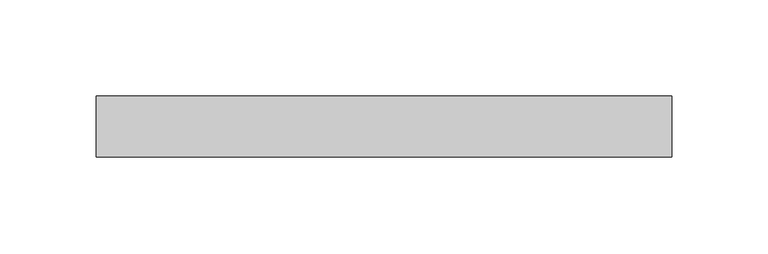
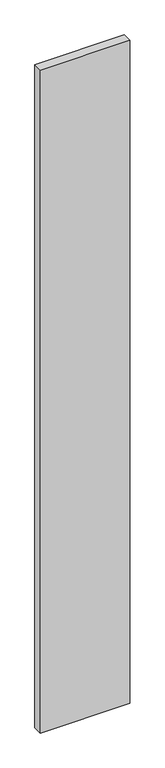
"""IFC4 building model written with IfcOpenShell, lengths in millimetres: plate geometry."""

from ifc_helpers import new_model, si_unit, origin, origin_with_axes, place, context, project, spatial, polyline, outline, extrude, source, transform, mapped, element, save


def plate_8bfe8d6c(model_context):
    return source(origin(), model_context, "Body", "SweptSolid", [
        extrude(outline(polyline([(149.9999998, 0.0), (-149.9999998, 0.0), (-149.9999998, 32.0), (149.9999998, 32.0), (149.9999998, 0.0)])), origin_with_axes(), (0.0, 0.0, 1.0), 2350.0),
    ])


if __name__ == "__main__":
    model = new_model("IFC4")
    model_context = context("Model", 3, world=origin())
    ifc_project = project(units=[si_unit("LENGTHUNIT", "METRE", prefix="MILLI")], contexts=[model_context])
    site = spatial("IfcSite", under=ifc_project)
    building = spatial("IfcBuilding", under=site)
    placement = place(None, origin())
    plate_shape = plate_8bfe8d6c(model_context)
    element("IfcPlate", 1, at=placement, inside=building, context=model_context, shape_type="MappedRepresentation", body=[
        mapped(plate_shape, transform((0.0, 0.0, 0.0), x_axis=(1.0, 0.0, 0.0), y_axis=(0.0, 1.0, 0.0), z_axis=(0.0, 0.0, 1.0))),
    ])
    save(model, "model.ifc")
